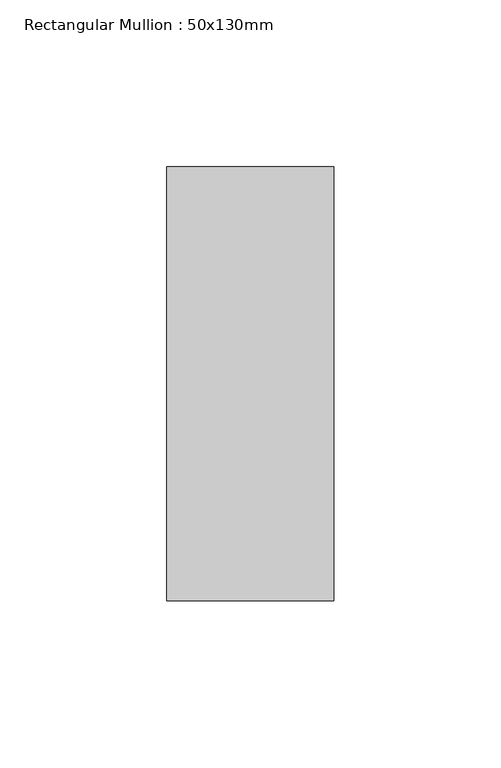
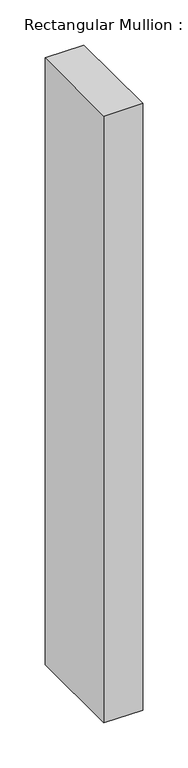
"""IFC4 building model written with IfcOpenShell, lengths in millimetres: member geometry, Rectangular Mullion : 50x130mm."""

import ifcopenshell
import ifcopenshell.guid

model = None  # the IFC model being written
_history = None  # IfcOwnerHistory: only IFC2X3 demands one
_inside = {}  # id of a spatial element -> (the spatial element, [elements in it])
_under = {}  # id of a project, library or spatial element -> (it, [spatial elements below it])
_declared = {}  # id of a project -> (the project, [libraries it declares])
_typed = {}  # id of a type object -> (the type object, [elements of that type])
_made_of = {}  # id of a material, layer set ... -> (it, [elements and type objects made of it])


def new_model(schema):
    """Start an empty IFC model of exactly this schema.

    Asked for "IFC4X3", IfcOpenShell would pick the latest addendum, in which some entities
    have other attributes; the version numbers below select the first issue.
    IFC2X3 requires an IfcOwnerHistory on every rooted entity: one is made here for all.
    """
    global model, _history
    if schema == "IFC4X3":
        model = ifcopenshell.file(schema_version=(4, 3, 0, 0))
    else:
        model = ifcopenshell.file(schema=schema)
    _inside.clear()
    _under.clear()
    _declared.clear()
    _typed.clear()
    _made_of.clear()
    _history = None
    if model.schema == "IFC2X3":
        org = make("IfcOrganization", Name="unknown")
        user = make(
            "IfcPersonAndOrganization",
            ThePerson=make("IfcPerson", FamilyName="unknown"),
            TheOrganization=org,
        )
        app = make(
            "IfcApplication",
            ApplicationDeveloper=org,
            Version="unknown",
            ApplicationFullName="unknown",
            ApplicationIdentifier="unknown",
        )
        _history = make(
            "IfcOwnerHistory",
            OwningUser=user,
            OwningApplication=app,
            ChangeAction="ADDED",
            CreationDate=0,
        )
    return model


def make(cls, **values):
    """One entity of the class cls with the attributes given. An attribute that is None is left unset."""
    return model.create_entity(
        cls, **{name: value for name, value in values.items() if value is not None}
    )


def rooted(cls, **values):
    """An entity with a GlobalId (a new one), such as an element, a storey or a relation."""
    return make(cls, GlobalId=ifcopenshell.guid.new(), OwnerHistory=_history, **values)


def si_unit(unit_type, name, prefix=None):
    """IfcSIUnit, for example si_unit("LENGTHUNIT", "METRE", prefix="MILLI")."""
    return make("IfcSIUnit", UnitType=unit_type, Prefix=prefix, Name=name)


def assignment(units):
    """IfcUnitAssignment: the units of a project."""
    return None if units is None else make("IfcUnitAssignment", Units=units)


def point(xyz):
    """IfcCartesianPoint."""
    return None if xyz is None else make("IfcCartesianPoint", Coordinates=xyz)


def direction(xyz):
    """IfcDirection."""
    return None if xyz is None else make("IfcDirection", DirectionRatios=xyz)


def frame(location, z_axis=None, x_axis=None):
    """IfcAxis2Placement3D, a coordinate frame: its origin and axes. An axis left out is left unset."""
    return make(
        "IfcAxis2Placement3D",
        Location=point(location),
        Axis=direction(z_axis),
        RefDirection=direction(x_axis),
    )


def origin():
    """The frame at (0, 0, 0) with its axes left unset."""
    return frame((0.0, 0.0, 0.0))


def place(relative_to, where):
    """IfcLocalPlacement: puts the frame where relative to a parent placement (None: the world)."""
    return make(
        "IfcLocalPlacement", PlacementRelTo=relative_to, RelativePlacement=where
    )


def context(
    kind, dimensions, precision=None, world=None, true_north=None, identifier=None
):
    """IfcGeometricRepresentationContext, for example the 3D "Model" context."""
    return make(
        "IfcGeometricRepresentationContext",
        ContextIdentifier=identifier,
        ContextType=kind,
        CoordinateSpaceDimension=dimensions,
        Precision=precision,
        WorldCoordinateSystem=world,
        TrueNorth=true_north,
    )


def project(units=None, contexts=None):
    """IfcProject with its units and contexts."""
    return rooted(
        "IfcProject",
        Name="project",
        RepresentationContexts=contexts,
        UnitsInContext=assignment(units),
    )


def spatial(cls, under=None, at=None, **own):
    """A site, building, storey or space (cls), placed at a placement, below another one or the project."""
    s = rooted(cls, ObjectPlacement=at, **own)
    if under is not None:
        _under.setdefault(under.id(), (under, []))[1].append(s)
    return s


def polyline(points):
    """IfcPolyline through the points."""
    return make("IfcPolyline", Points=[point(p) for p in points])


def outline(outer, holes=None, kind="AREA"):
    """IfcArbitraryClosedProfileDef: a profile drawn as a closed curve; with holes, ...WithVoids."""
    if holes is None:
        return make("IfcArbitraryClosedProfileDef", ProfileType=kind, OuterCurve=outer)
    return make(
        "IfcArbitraryProfileDefWithVoids",
        ProfileType=kind,
        OuterCurve=outer,
        InnerCurves=holes,
    )


def extrude(swept, where, along, depth):
    """IfcExtrudedAreaSolid: the profile swept, set in the frame where, extruded along a direction by depth."""
    return make(
        "IfcExtrudedAreaSolid",
        SweptArea=swept,
        Position=where,
        ExtrudedDirection=direction(along),
        Depth=depth,
    )


def shape(context_of_items, identifier, shape_type, items):
    """IfcShapeRepresentation: the items that make up one representation, for example the "Body"."""
    return make(
        "IfcShapeRepresentation",
        ContextOfItems=context_of_items,
        RepresentationIdentifier=identifier,
        RepresentationType=shape_type,
        Items=items,
    )


def source(mapping_origin, context_of_items, identifier, shape_type, items):
    """IfcRepresentationMap: a shape defined once, which mapped items show again and again."""
    return make(
        "IfcRepresentationMap",
        MappingOrigin=mapping_origin,
        MappedRepresentation=shape(context_of_items, identifier, shape_type, items),
    )


def transform(
    local_origin,
    x_axis=None,
    y_axis=None,
    z_axis=None,
    scale=None,
    scale2=None,
    scale3=None,
    uniform=True,
):
    """IfcCartesianTransformationOperator3D, or its non-uniform kind. x_axis, y_axis, z_axis: its Axis1, 2, 3."""
    if uniform:
        return make(
            "IfcCartesianTransformationOperator3D",
            Axis1=direction(x_axis),
            Axis2=direction(y_axis),
            LocalOrigin=point(local_origin),
            Scale=scale,
            Axis3=direction(z_axis),
        )
    return make(
        "IfcCartesianTransformationOperator3DnonUniform",
        Axis1=direction(x_axis),
        Axis2=direction(y_axis),
        LocalOrigin=point(local_origin),
        Scale=scale,
        Axis3=direction(z_axis),
        Scale2=scale2,
        Scale3=scale3,
    )


def mapped(mapping_source, mapping_target):
    """IfcMappedItem: shows the shape of a source again, moved by a transform."""
    return make(
        "IfcMappedItem", MappingSource=mapping_source, MappingTarget=mapping_target
    )


def made_of(thing, what):
    """Note that an element or type object is made of a material, layer set ...; save() writes the relation."""
    if what is not None:
        _made_of.setdefault(what.id(), (what, []))[1].append(thing)
    return thing


def element(
    cls,
    number,
    at=None,
    inside=None,
    cuts=None,
    type_object=None,
    material=None,
    context=None,
    identifier="Body",
    shape_type=None,
    held_by="IfcProductDefinitionShape",
    body=None,
    shapes=None,
    **own,
):
    """One element of the class cls, such as IfcWall. Its Tag is "e" and its number.

    at: its placement. inside: the storey or other place that contains it. cuts: it is an
    opening in that element (IfcRelVoidsElement). A single representation is given by context,
    identifier, shape_type and body (its items); several are given by shapes. held_by: the class
    of the entity that holds the representations. save() writes the other relations.
    """
    e = rooted(cls, Tag="e%d" % number, ObjectPlacement=at, **own)
    if body is not None:
        shapes = [shape(context, identifier, shape_type, body)]
    if shapes is not None:
        e.Representation = make(held_by, Representations=shapes)
    if inside is not None:
        _inside.setdefault(inside.id(), (inside, []))[1].append(e)
    if cuts is not None:
        rooted(
            "IfcRelVoidsElement", RelatingBuildingElement=cuts, RelatedOpeningElement=e
        )
    if type_object is not None:
        _typed.setdefault(type_object.id(), (type_object, []))[1].append(e)
    return made_of(e, material)


def aggregate(whole, parts):
    """IfcRelAggregates: a whole, such as a stair, and the parts it consists of."""
    return rooted("IfcRelAggregates", RelatingObject=whole, RelatedObjects=parts)


def save(model, path):
    """Write the relations noted so far, then the file.

    IfcRelAggregates (storeys below a building ...), IfcRelContainedInSpatialStructure (elements
    in a storey), IfcRelDefinesByType, IfcRelAssociatesMaterial and IfcRelDeclares: one each for
    every whole, place, type object, material and project.
    """
    for whole, parts in _under.values():
        aggregate(whole, parts)
    for where, things in _inside.values():
        rooted(
            "IfcRelContainedInSpatialStructure",
            RelatedElements=things,
            RelatingStructure=where,
        )
    for kind, things in _typed.values():
        rooted("IfcRelDefinesByType", RelatedObjects=things, RelatingType=kind)
    for what, things in _made_of.values():
        rooted("IfcRelAssociatesMaterial", RelatedObjects=things, RelatingMaterial=what)
    for by, libraries in _declared.values():
        rooted("IfcRelDeclares", RelatingContext=by, RelatedDefinitions=libraries)
    model.write(path)


def rectangular_mullion_50x130mm_8a56624e(model_context):
    return source(origin(), model_context, "Body", "SweptSolid", [
        extrude(outline(polyline([(0.0, 65.0), (0.0, -65.0), (-50.0, -65.0), (-50.0, 65.0), (0.0, 65.0)])), frame((0.0, 0.0, -822.98475), z_axis=(0.0, 0.0, 1.0), x_axis=(1.0, 0.0, 0.0)), (0.0, 0.0, 1.0), 822.98475),
    ])


if __name__ == "__main__":
    model = new_model("IFC4")
    model_context = context("Model", 3, world=origin())
    ifc_project = project(units=[si_unit("LENGTHUNIT", "METRE", prefix="MILLI")], contexts=[model_context])
    site = spatial("IfcSite", under=ifc_project)
    building = spatial("IfcBuilding", under=site)
    placement = place(None, origin())
    rectangular_mullion_50x130mm_shape = rectangular_mullion_50x130mm_8a56624e(model_context)
    element("IfcMember", 1, ObjectType="Rectangular Mullion : 50x130mm", at=placement, inside=building, context=model_context, shape_type="MappedRepresentation", body=[
        mapped(rectangular_mullion_50x130mm_shape, transform((0.0, 0.0, 0.0), x_axis=(1.0, 0.0, 0.0), y_axis=(0.0, 1.0, 0.0), z_axis=(0.0, 0.0, 1.0))),
    ])
    save(model, "model.ifc")
